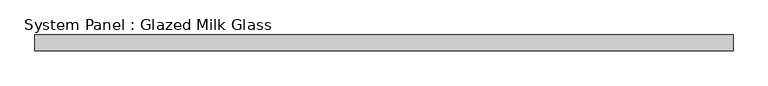
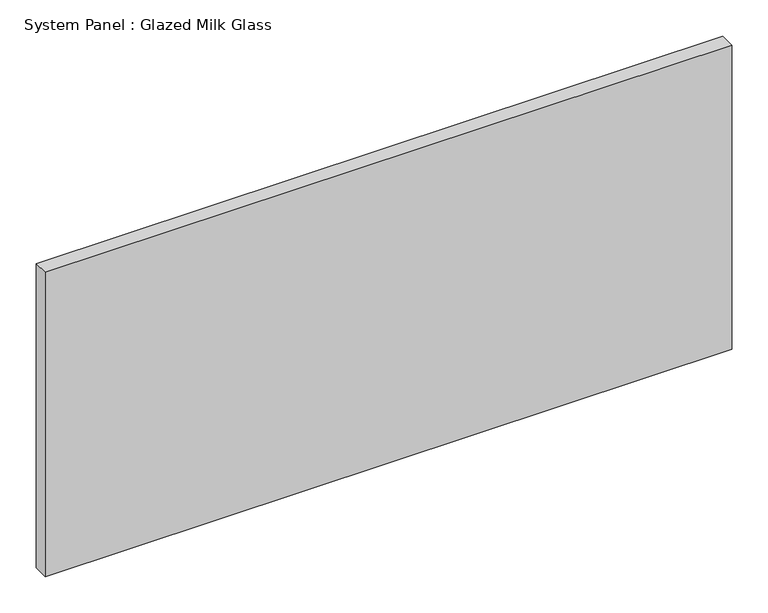
"""IFC4 building model written with IfcOpenShell, lengths in millimetres: plate geometry, System Panel : Glazed Milk Glass."""

from ifc_helpers import new_model, si_unit, origin, origin_with_axes, place, context, project, spatial, polyline, outline, extrude, source, transform, mapped, element, save


def system_panel_glazed_milk_glass_83e9da66(model_context):
    return source(origin(), model_context, "Body", "SweptSolid", [
        extrude(outline(polyline([(550.0, -12.5), (-550.0, -12.5), (-550.0, 12.5), (550.0, 12.5), (550.0, -12.5)])), origin_with_axes(), (0.0, 0.0, 1.0), 515.0),
    ])


if __name__ == "__main__":
    model = new_model("IFC4")
    model_context = context("Model", 3, world=origin())
    ifc_project = project(units=[si_unit("LENGTHUNIT", "METRE", prefix="MILLI")], contexts=[model_context])
    site = spatial("IfcSite", under=ifc_project)
    building = spatial("IfcBuilding", under=site)
    placement = place(None, origin())
    system_panel_glazed_milk_glass_shape = system_panel_glazed_milk_glass_83e9da66(model_context)
    element("IfcPlate", 1, ObjectType="System Panel : Glazed Milk Glass", at=placement, inside=building, context=model_context, shape_type="MappedRepresentation", body=[
        mapped(system_panel_glazed_milk_glass_shape, transform((0.0, 0.0, 0.0), x_axis=(1.0, 0.0, 0.0), y_axis=(0.0, 1.0, 0.0), z_axis=(0.0, 0.0, 1.0))),
    ])
    save(model, "model.ifc")
